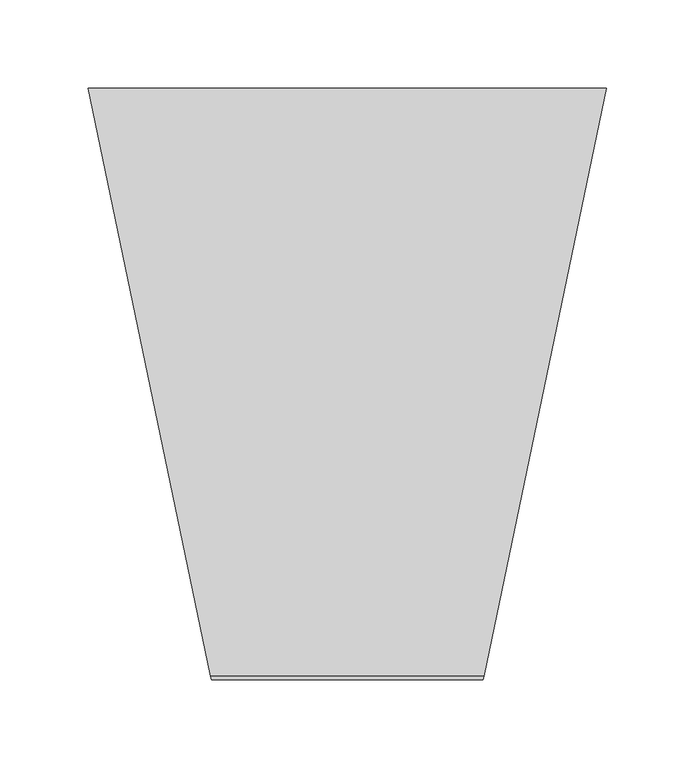
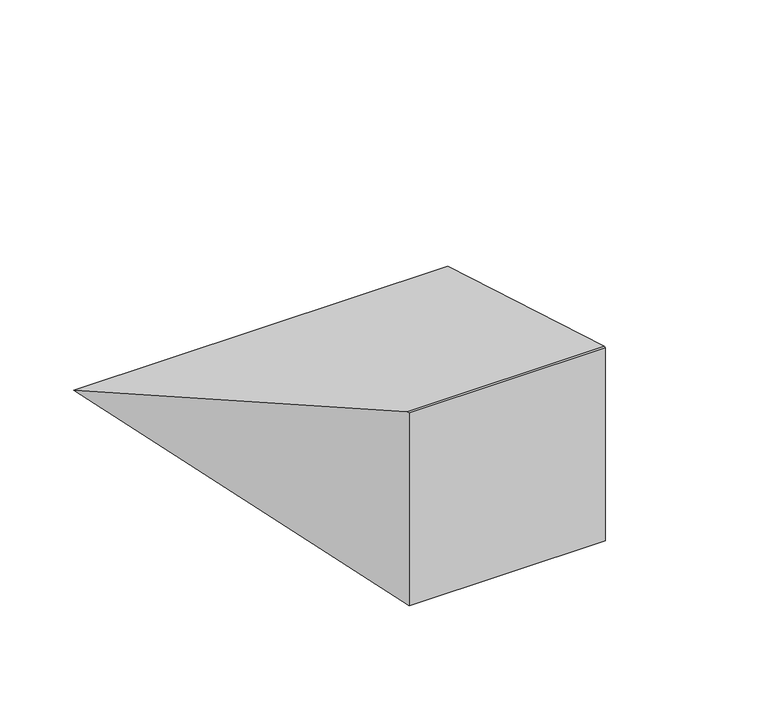
"""IFC4 building model written with IfcOpenShell, lengths in millimetres: proxy geometry."""

from ifc_helpers import new_model, si_unit, origin, place, context, project, spatial, faceted_brep, source, transform, mapped, element, save


def generic_models_19f95cb8(model_context):
    return source(origin(), model_context, "Body", "Brep", [
        faceted_brep([(69.8714286, 0.0, 160.0), (223.8714286, 0.0, 160.0), (224.2885714, 2.0, 160.0), (69.4542857, 2.0, 160.0), (69.8714286, 0.0, 0.0), (0.0, 335.0, 0.0), (293.7428571, 335.0, 0.0), (223.8714286, 0.0, 0.0)], [[[0, 1, 2, 3]], [[4, 5, 6, 7]], [[7, 6, 2, 1]], [[6, 5, 3, 2]], [[5, 4, 0, 3]], [[4, 7, 1, 0]]]),
    ])


if __name__ == "__main__":
    model = new_model("IFC4")
    model_context = context("Model", 3, world=origin())
    ifc_project = project(units=[si_unit("LENGTHUNIT", "METRE", prefix="MILLI")], contexts=[model_context])
    site = spatial("IfcSite", under=ifc_project)
    building = spatial("IfcBuilding", under=site)
    placement = place(None, origin())
    generic_models_shape = generic_models_19f95cb8(model_context)
    element("IfcBuildingElementProxy", 1, Name="Generic Models", at=placement, inside=building, context=model_context, shape_type="MappedRepresentation", body=[
        mapped(generic_models_shape, transform((0.0, 0.0, 0.0), x_axis=(1.0, 0.0, 0.0), y_axis=(0.0, 1.0, 0.0), z_axis=(0.0, 0.0, 1.0))),
    ])
    save(model, "model.ifc")
